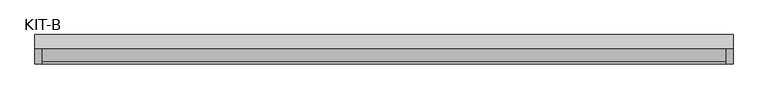
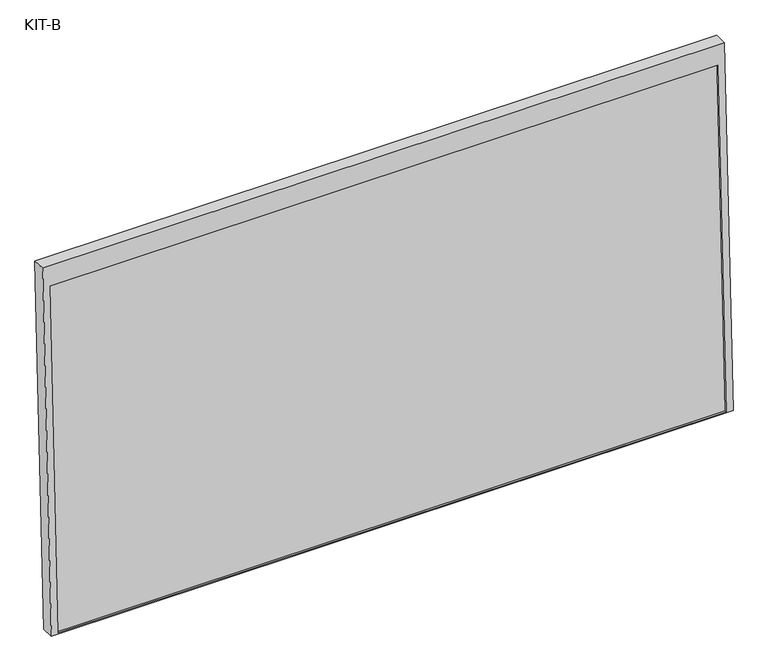
"""IFC4 building model written with IfcOpenShell, lengths in millimetres: plate geometry, KIT-B."""

from ifc_helpers import new_model, si_unit, frame, origin, place, context, project, spatial, polyline, outline, extrude, source, transform, mapped, element, save


def kit_b_5526d2e8(model_context):
    return source(origin(), model_context, "Body", "SweptSolid", [
        extrude(outline(polyline([(0.0, -1754.0), (0.0, 0.0), (27.4505713, 0.0), (27.4505713, -1754.0), (0.0, -1754.0)])), frame((-877.0, -70.9268988, -99.7757487), z_axis=(0.0, 0.03973683410233643, 0.9992101801000245), x_axis=(0.0, 0.9992101801000245, -0.03973683410233643)), (0.0, 0.0, 1.0), 941.5315929),
        extrude(outline(polyline([(0.0, 0.0), (0.0, -1791.0), (-1000.0, -1791.0), (-1000.0, 0.0), (0.0, 0.0)]), holes=[polyline([(-55.0, -18.5), (-996.5315929, -18.5), (-996.5315929, -1772.5), (-55.0, -1772.5), (-55.0, -18.5)])]), frame((-895.5, -1.3515828, 894.7766587), z_axis=(0.0, -0.9992101801000246, 0.039736834102334216), x_axis=(0.0, 0.039736834102334216, 0.9992101801000246)), (0.0, 0.0, 1.0), 35.0),
    ])


if __name__ == "__main__":
    model = new_model("IFC4")
    model_context = context("Model", 3, world=origin())
    ifc_project = project(units=[si_unit("LENGTHUNIT", "METRE", prefix="MILLI")], contexts=[model_context])
    site = spatial("IfcSite", under=ifc_project)
    building = spatial("IfcBuilding", under=site)
    placement = place(None, origin())
    kit_b_shape = kit_b_5526d2e8(model_context)
    element("IfcPlate", 1, ObjectType="KIT-B", at=placement, inside=building, context=model_context, shape_type="MappedRepresentation", body=[
        mapped(kit_b_shape, transform((0.0, 0.0, 0.0), x_axis=(1.0, 0.0, 0.0), y_axis=(0.0, 1.0, 0.0), z_axis=(0.0, 0.0, 1.0))),
    ])
    save(model, "model.ifc")
